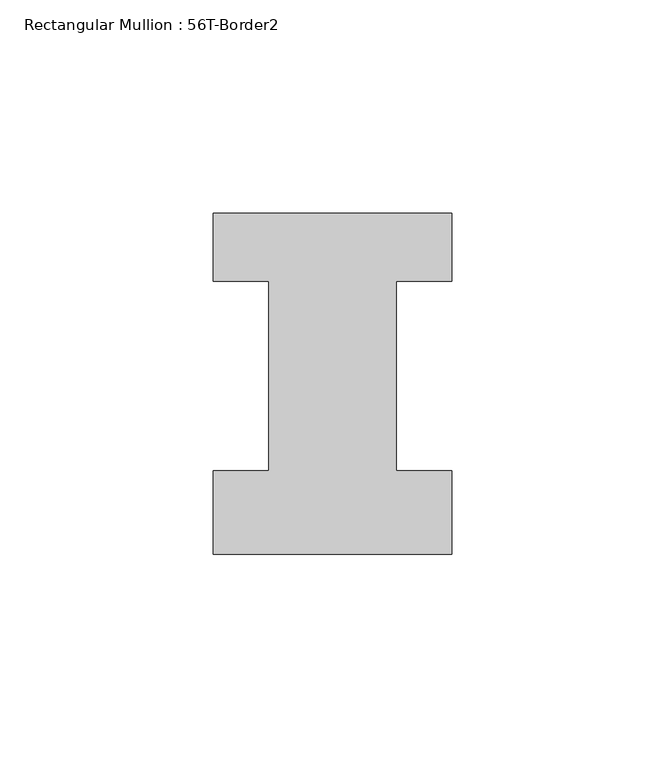
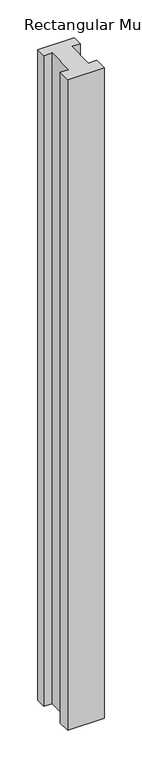
"""IFC4 building model written with IfcOpenShell, lengths in millimetres: member geometry, Rectangular Mullion : 56T-Border2."""

from ifc_helpers import new_model, si_unit, frame, origin, place, context, project, spatial, polyline, outline, extrude, source, transform, mapped, element, save


def rectangular_mullion_56t_border2_f2f5d68d(model_context):
    return source(origin(), model_context, "Body", "SweptSolid", [
        extrude(outline(polyline([(0.0, -20.0), (-56.0, -20.0), (-56.0, -0.5), (-43.0, -0.5), (-43.0, 44.0), (-56.0, 44.0), (-56.0, 60.0), (0.0, 60.0), (0.0, 44.0), (-13.0, 44.0), (-13.0, -0.5), (0.0, -0.5), (0.0, -20.0)])), frame((0.0, 0.0, -1056.0), z_axis=(0.0, 0.0, 1.0), x_axis=(1.0, 0.0, 0.0)), (0.0, 0.0, 1.0), 1056.0),
    ])


if __name__ == "__main__":
    model = new_model("IFC4")
    model_context = context("Model", 3, world=origin())
    ifc_project = project(units=[si_unit("LENGTHUNIT", "METRE", prefix="MILLI")], contexts=[model_context])
    site = spatial("IfcSite", under=ifc_project)
    building = spatial("IfcBuilding", under=site)
    placement = place(None, origin())
    rectangular_mullion_56t_border2_shape = rectangular_mullion_56t_border2_f2f5d68d(model_context)
    element("IfcMember", 1, ObjectType="Rectangular Mullion : 56T-Border2", at=placement, inside=building, context=model_context, shape_type="MappedRepresentation", body=[
        mapped(rectangular_mullion_56t_border2_shape, transform((0.0, 0.0, 0.0), x_axis=(1.0, 0.0, 0.0), y_axis=(0.0, 1.0, 0.0), z_axis=(0.0, 0.0, 1.0))),
    ])
    save(model, "model.ifc")
